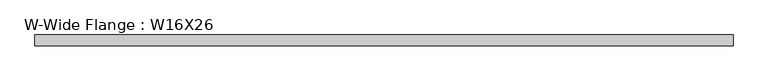
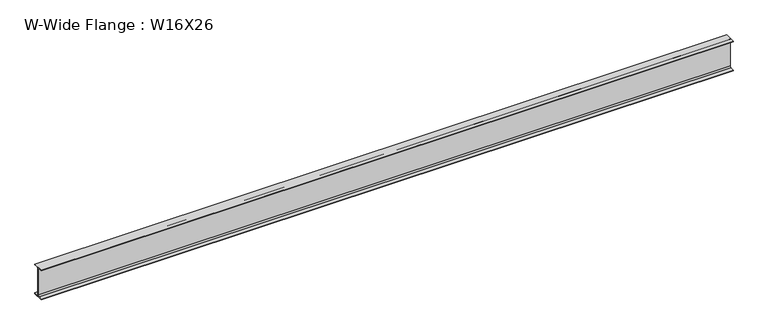
"""IFC4 building model written with IfcOpenShell, lengths in millimetres: beam geometry, W-Wide Flange : W16X26."""

from ifc_helpers import new_model, si_unit, point, frame, frame_2d, origin, place, context, project, spatial, polyline, circle_curve, trimmed, segment, composite_curve, outline, extrude, source, transform, mapped, element, save


def w_wide_flange_w16x26_4a9c99d3(model_context):
    return source(origin(), model_context, "Body", "SweptSolid", [
        extrude(outline(composite_curve([segment(polyline([(69.85, -190.5496094), (69.85, -199.2808594), (-69.85, -199.2808594), (-69.85, -190.5496094), (-21.43125, -190.5496094)]), True, "CONTINUOUS"), segment(trimmed(circle_curve(frame_2d((-21.43125, -172.2933594)), 18.25625), [point((-21.43125, -190.5496094))], [point((-3.175, -172.2933594))], True, "CARTESIAN"), True, "CONTINUOUS"), segment(polyline([(-3.175, -172.2933594), (-3.175, 172.2933594)]), True, "CONTINUOUS"), segment(trimmed(circle_curve(frame_2d((-21.43125, 172.2933594)), 18.25625), [point((-3.175, 172.2933594))], [point((-21.43125, 190.5496094))], True, "CARTESIAN"), True, "CONTINUOUS"), segment(polyline([(-21.43125, 190.5496094), (-69.85, 190.5496094), (-69.85, 199.2808594), (69.85, 199.2808594), (69.85, 190.5496094), (21.43125, 190.5496094)]), True, "CONTINUOUS"), segment(trimmed(circle_curve(frame_2d((21.43125, 172.2933594)), 18.25625), [point((21.43125, 190.5496094))], [point((3.175, 172.2933594))], True, "CARTESIAN"), True, "CONTINUOUS"), segment(polyline([(3.175, 172.2933594), (3.175, -172.2933594)]), True, "CONTINUOUS"), segment(trimmed(circle_curve(frame_2d((21.43125, -172.2933594)), 18.25625), [point((3.175, -172.2933594))], [point((21.43125, -190.5496094))], True, "CARTESIAN"), True, "CONTINUOUS"), segment(polyline([(21.43125, -190.5496094), (69.85, -190.5496094)]), True, "CONTINUOUS")], self_intersect=False)), frame((-4406.9, 0.0, 0.0), z_axis=(1.0, 0.0, 0.0), x_axis=(0.0, 1.0, 0.0)), (0.0, 0.0, 1.0), 8839.2),
    ])


if __name__ == "__main__":
    model = new_model("IFC4")
    model_context = context("Model", 3, world=origin())
    ifc_project = project(units=[si_unit("LENGTHUNIT", "METRE", prefix="MILLI")], contexts=[model_context])
    site = spatial("IfcSite", under=ifc_project)
    building = spatial("IfcBuilding", under=site)
    placement = place(None, origin())
    w_wide_flange_w16x26_shape = w_wide_flange_w16x26_4a9c99d3(model_context)
    element("IfcBeam", 1, ObjectType="W-Wide Flange : W16X26", at=placement, inside=building, context=model_context, shape_type="MappedRepresentation", body=[
        mapped(w_wide_flange_w16x26_shape, transform((0.0, 0.0, 0.0), x_axis=(1.0, 0.0, 0.0), y_axis=(0.0, 1.0, 0.0), z_axis=(0.0, 0.0, 1.0))),
    ])
    save(model, "model.ifc")
